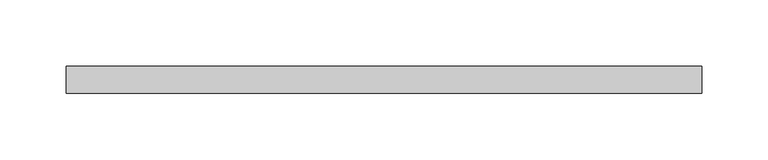
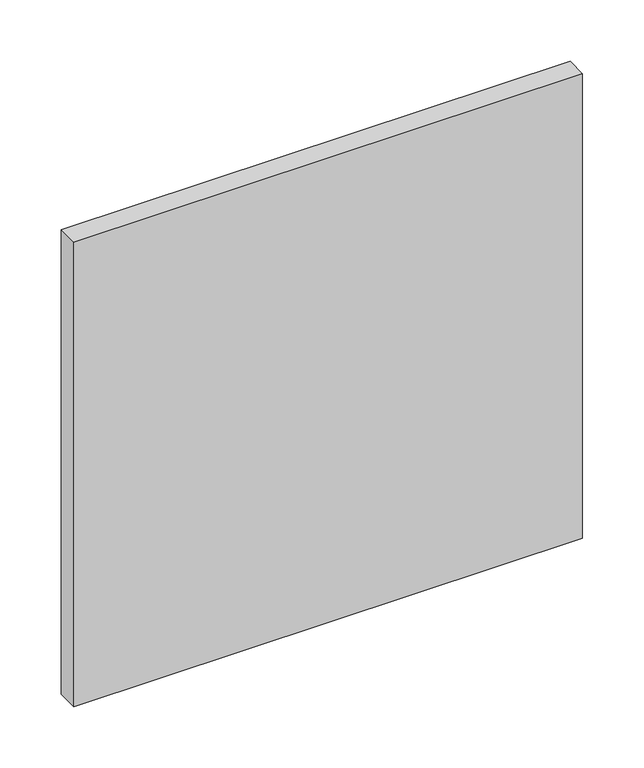
"""IFC4 building model written with IfcOpenShell, lengths in millimetres: plate geometry."""

from ifc_helpers import new_model, si_unit, origin, origin_with_axes, place, context, project, spatial, polyline, outline, extrude, source, transform, mapped, element, save


def plate_d831fa43(model_context):
    return source(origin(), model_context, "Body", "SweptSolid", [
        extrude(outline(polyline([(238.75, 70.0), (-238.75, 70.0), (-238.75, 90.0), (238.75, 90.0), (238.75, 70.0)])), origin_with_axes(), (0.0, 0.0, 1.0), 461.0),
    ])


if __name__ == "__main__":
    model = new_model("IFC4")
    model_context = context("Model", 3, world=origin())
    ifc_project = project(units=[si_unit("LENGTHUNIT", "METRE", prefix="MILLI")], contexts=[model_context])
    site = spatial("IfcSite", under=ifc_project)
    building = spatial("IfcBuilding", under=site)
    placement = place(None, origin())
    plate_shape = plate_d831fa43(model_context)
    element("IfcPlate", 1, at=placement, inside=building, context=model_context, shape_type="MappedRepresentation", body=[
        mapped(plate_shape, transform((0.0, 0.0, 0.0), x_axis=(1.0, 0.0, 0.0), y_axis=(0.0, 1.0, 0.0), z_axis=(0.0, 0.0, 1.0))),
    ])
    save(model, "model.ifc")
